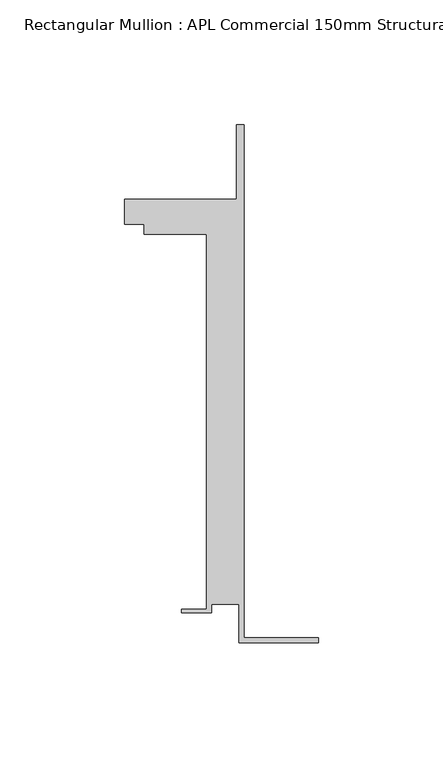
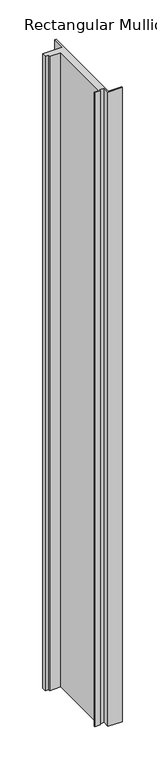
"""IFC4 building model written with IfcOpenShell, lengths in millimetres: member geometry, Rectangular Mullion : APL Commercial 150mm Structural Glaze SubSill."""

from ifc_helpers import new_model, si_unit, frame, origin, place, context, project, spatial, polyline, outline, extrude, source, transform, mapped, element, save


def rectangular_mullion_apl_commercial_150mm_structural_glaze_b15bf61b(model_context):
    return source(origin(), model_context, "Body", "SweptSolid", [
        extrude(outline(polyline([(-32.0, -41.25), (-32.0, -25.75), (-43.0, -25.75), (-43.0, -29.25), (-55.0, -29.25), (-55.0, -27.75), (-45.0, -27.75), (-45.0, 122.75), (-70.0000284, 122.75), (-70.0000284, 126.75), (-78.0000284, 126.75), (-78.0000284, 136.75), (-33.0000284, 136.75), (-33.0000284, 166.75), (-30.0, 166.75), (-30.0, -39.25), (0.0, -39.25), (0.0, -41.25), (-32.0, -41.25)])), frame((0.0, 0.0, -1524.1135001), z_axis=(0.0, 0.0, 1.0), x_axis=(1.0, 0.0, 0.0)), (0.0, 0.0, 1.0), 1524.1135001),
    ])


if __name__ == "__main__":
    model = new_model("IFC4")
    model_context = context("Model", 3, world=origin())
    ifc_project = project(units=[si_unit("LENGTHUNIT", "METRE", prefix="MILLI")], contexts=[model_context])
    site = spatial("IfcSite", under=ifc_project)
    building = spatial("IfcBuilding", under=site)
    placement = place(None, origin())
    rectangular_mullion_apl_commercial_150mm_structural_glaze_shape = rectangular_mullion_apl_commercial_150mm_structural_glaze_b15bf61b(model_context)
    element("IfcMember", 1, ObjectType="Rectangular Mullion : APL Commercial 150mm Structural Glaze SubSill", at=placement, inside=building, context=model_context, shape_type="MappedRepresentation", body=[
        mapped(rectangular_mullion_apl_commercial_150mm_structural_glaze_shape, transform((0.0, 0.0, 0.0), x_axis=(1.0, 0.0, 0.0), y_axis=(0.0, 1.0, 0.0), z_axis=(0.0, 0.0, 1.0))),
    ])
    save(model, "model.ifc")
